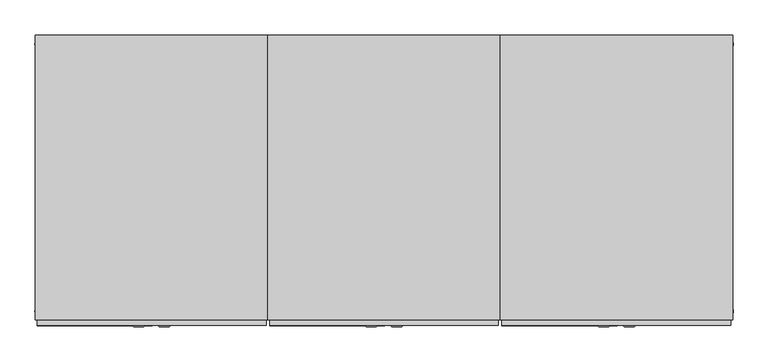
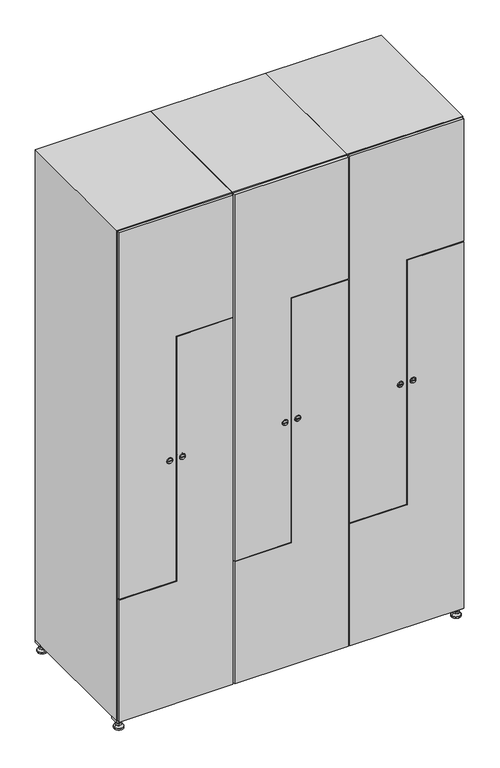
"""IFC4 building model written with IfcOpenShell, lengths in millimetres: furniture geometry."""

from ifc_helpers import new_model, si_unit, point, frame, frame_2d, origin, origin_with_axes, place, context, project, spatial, polyline, circle_curve, trimmed, segment, composite_curve, outline, extrude, faceted_brep, source, transform, mapped, element, save
from ifc_brep_helpers import plane_surface, revolved_surface, advanced_brep


def furniture_ad6220d3(model_context):
    return source(origin(), model_context, "Body", "SolidModel", [
        extrude(outline(polyline([(1000.0, 245.0), (1000.0, 215.0), (970.0, 215.0), (970.0, 245.0), (1000.0, 245.0)]), holes=[polyline([(998.0, 243.0), (972.0, 243.0), (972.0, 217.0), (998.0, 217.0), (998.0, 243.0)])]), frame((0.0, 0.0, 28.5), z_axis=(0.0, 0.0, 1.0), x_axis=(1.0, 0.0, 0.0)), (0.0, 0.0, 1.0), 6.5),
        extrude(outline(polyline([(970.0, -245.0), (970.0, -215.0), (1000.0, -215.0), (1000.0, -245.0), (970.0, -245.0)]), holes=[polyline([(972.0, -243.0), (998.0, -243.0), (998.0, -217.0), (972.0, -217.0), (972.0, -243.0)])]), frame((0.0, 0.0, 28.5), z_axis=(0.0, 0.0, 1.0), x_axis=(1.0, 0.0, 0.0)), (0.0, 0.0, 1.0), 6.5),
        extrude(outline(polyline([(-170.0, 245.0), (-170.0, 215.0), (-200.0, 215.0), (-200.0, 245.0), (-170.0, 245.0)]), holes=[polyline([(-172.0, 243.0), (-198.0, 243.0), (-198.0, 217.0), (-172.0, 217.0), (-172.0, 243.0)])]), frame((0.0, 0.0, 28.5), z_axis=(0.0, 0.0, 1.0), x_axis=(1.0, 0.0, 0.0)), (0.0, 0.0, 1.0), 6.5),
        extrude(outline(polyline([(-170.0, -215.0), (-170.0, -245.0), (-200.0, -245.0), (-200.0, -215.0), (-170.0, -215.0)]), holes=[polyline([(-198.0, -243.0), (-172.0, -243.0), (-172.0, -217.0), (-198.0, -217.0), (-198.0, -243.0)])]), frame((0.0, 0.0, 28.5), z_axis=(0.0, 0.0, 1.0), x_axis=(1.0, 0.0, 0.0)), (0.0, 0.0, 1.0), 6.5),
        extrude(outline(composite_curve([segment(trimmed(circle_curve(frame_2d((-185.0, 230.0)), 5.0), [point((-180.0, 230.0))], [point((-190.0, 230.0))], False, "CARTESIAN"), True, "CONTINUOUS"), segment(trimmed(circle_curve(frame_2d((-185.0, 230.0)), 5.0), [point((-190.0, 230.0))], [point((-180.0, 230.0))], False, "CARTESIAN"), True, "CONTINUOUS")], self_intersect=False)), frame((0.0, 0.0, 19.6), z_axis=(0.0, 0.0, 1.0), x_axis=(1.0, 0.0, 0.0)), (0.0, 0.0, 1.0), 15.4),
        extrude(outline(composite_curve([segment(trimmed(circle_curve(frame_2d((-185.0, -230.0)), 5.0), [point((-180.0, -230.0))], [point((-190.0, -230.0))], False, "CARTESIAN"), True, "CONTINUOUS"), segment(trimmed(circle_curve(frame_2d((-185.0, -230.0)), 5.0), [point((-190.0, -230.0))], [point((-180.0, -230.0))], False, "CARTESIAN"), True, "CONTINUOUS")], self_intersect=False)), frame((0.0, 0.0, 19.6), z_axis=(0.0, 0.0, 1.0), x_axis=(1.0, 0.0, 0.0)), (0.0, 0.0, 1.0), 15.4),
        extrude(outline(composite_curve([segment(trimmed(circle_curve(frame_2d((985.0, 230.0)), 5.0), [point((990.0, 230.0))], [point((980.0, 230.0))], False, "CARTESIAN"), True, "CONTINUOUS"), segment(trimmed(circle_curve(frame_2d((985.0, 230.0)), 5.0), [point((980.0, 230.0))], [point((990.0, 230.0))], False, "CARTESIAN"), True, "CONTINUOUS")], self_intersect=False)), frame((0.0, 0.0, 19.6), z_axis=(0.0, 0.0, 1.0), x_axis=(1.0, 0.0, 0.0)), (0.0, 0.0, 1.0), 15.4),
        extrude(outline(polyline([(973.4529946, 230.0), (979.2264973, 240.0), (990.7735027, 240.0), (996.5470054, 230.0), (990.7735027, 220.0), (979.2264973, 220.0), (973.4529946, 230.0)])), frame((0.0, 0.0, 13.6), z_axis=(0.0, 0.0, 1.0), x_axis=(1.0, 0.0, 0.0)), (0.0, 0.0, 1.0), 6.0),
        extrude(outline(composite_curve([segment(trimmed(circle_curve(frame_2d((985.0, -230.0)), 5.0), [point((990.0, -230.0))], [point((980.0, -230.0))], False, "CARTESIAN"), True, "CONTINUOUS"), segment(trimmed(circle_curve(frame_2d((985.0, -230.0)), 5.0), [point((980.0, -230.0))], [point((990.0, -230.0))], False, "CARTESIAN"), True, "CONTINUOUS")], self_intersect=False)), frame((0.0, 0.0, 19.6), z_axis=(0.0, 0.0, 1.0), x_axis=(1.0, 0.0, 0.0)), (0.0, 0.0, 1.0), 15.4),
        extrude(outline(polyline([(973.4529946, -230.0), (979.2264973, -220.0), (990.7735027, -220.0), (996.5470054, -230.0), (990.7735027, -240.0), (979.2264973, -240.0), (973.4529946, -230.0)])), frame((0.0, 0.0, 13.6), z_axis=(0.0, 0.0, 1.0), x_axis=(1.0, 0.0, 0.0)), (0.0, 0.0, 1.0), 6.0),
        extrude(outline(composite_curve([segment(trimmed(circle_curve(frame_2d((985.0, 230.0)), 5.0), [point((990.0, 230.0))], [point((980.0, 230.0))], False, "CARTESIAN"), True, "CONTINUOUS"), segment(trimmed(circle_curve(frame_2d((985.0, 230.0)), 5.0), [point((980.0, 230.0))], [point((990.0, 230.0))], False, "CARTESIAN"), True, "CONTINUOUS")], self_intersect=False)), frame((0.0, 0.0, 12.1), z_axis=(0.0, 0.0, 1.0), x_axis=(1.0, 0.0, 0.0)), (0.0, 0.0, 1.0), 1.5),
        extrude(outline(composite_curve([segment(trimmed(circle_curve(frame_2d((985.0, -230.0)), 5.0), [point((990.0, -230.0))], [point((980.0, -230.0))], False, "CARTESIAN"), True, "CONTINUOUS"), segment(trimmed(circle_curve(frame_2d((985.0, -230.0)), 5.0), [point((980.0, -230.0))], [point((990.0, -230.0))], False, "CARTESIAN"), True, "CONTINUOUS")], self_intersect=False)), frame((0.0, 0.0, 12.1), z_axis=(0.0, 0.0, 1.0), x_axis=(1.0, 0.0, 0.0)), (0.0, 0.0, 1.0), 1.5),
        extrude(outline(polyline([(-196.5470054, 230.0), (-190.7735027, 240.0), (-179.2264973, 240.0), (-173.4529946, 230.0), (-179.2264973, 220.0), (-190.7735027, 220.0), (-196.5470054, 230.0)])), frame((0.0, 0.0, 13.6), z_axis=(0.0, 0.0, 1.0), x_axis=(1.0, 0.0, 0.0)), (0.0, 0.0, 1.0), 6.0),
        extrude(outline(polyline([(-196.5470054, -230.0), (-190.7735027, -220.0), (-179.2264973, -220.0), (-173.4529946, -230.0), (-179.2264973, -240.0), (-190.7735027, -240.0), (-196.5470054, -230.0)])), frame((0.0, 0.0, 13.6), z_axis=(0.0, 0.0, 1.0), x_axis=(1.0, 0.0, 0.0)), (0.0, 0.0, 1.0), 6.0),
        extrude(outline(composite_curve([segment(trimmed(circle_curve(frame_2d((-185.0, 230.0)), 5.0), [point((-185.0, 235.0))], [point((-185.0, 225.0))], False, "CARTESIAN"), True, "CONTINUOUS"), segment(trimmed(circle_curve(frame_2d((-185.0, 230.0)), 5.0), [point((-185.0, 225.0))], [point((-185.0, 235.0))], False, "CARTESIAN"), True, "CONTINUOUS")], self_intersect=False)), frame((0.0, 0.0, 12.1), z_axis=(0.0, 0.0, 1.0), x_axis=(1.0, 0.0, 0.0)), (0.0, 0.0, 1.0), 1.5),
        extrude(outline(composite_curve([segment(trimmed(circle_curve(frame_2d((-185.0, -230.0)), 5.0), [point((-180.0, -230.0))], [point((-190.0, -230.0))], False, "CARTESIAN"), True, "CONTINUOUS"), segment(trimmed(circle_curve(frame_2d((-185.0, -230.0)), 5.0), [point((-190.0, -230.0))], [point((-180.0, -230.0))], False, "CARTESIAN"), True, "CONTINUOUS")], self_intersect=False)), frame((0.0, 0.0, 12.1), z_axis=(0.0, 0.0, 1.0), x_axis=(1.0, 0.0, 0.0)), (0.0, 0.0, 1.0), 1.5),
        extrude(outline(composite_curve([segment(trimmed(circle_curve(frame_2d((985.0, 230.0)), 15.75), [point((1000.75, 230.0))], [point((969.25, 230.0))], False, "CARTESIAN"), True, "CONTINUOUS"), segment(trimmed(circle_curve(frame_2d((985.0, 230.0)), 15.75), [point((969.25, 230.0))], [point((1000.75, 230.0))], False, "CARTESIAN"), True, "CONTINUOUS")], self_intersect=False)), origin_with_axes(), (0.0, 0.0, 1.0), 5.1),
        extrude(outline(composite_curve([segment(trimmed(circle_curve(frame_2d((985.0, -230.0)), 15.75), [point((985.0, -214.25))], [point((985.0, -245.75))], False, "CARTESIAN"), True, "CONTINUOUS"), segment(trimmed(circle_curve(frame_2d((985.0, -230.0)), 15.75), [point((985.0, -245.75))], [point((985.0, -214.25))], False, "CARTESIAN"), True, "CONTINUOUS")], self_intersect=False)), origin_with_axes(), (0.0, 0.0, 1.0), 5.1),
        extrude(outline(composite_curve([segment(trimmed(circle_curve(frame_2d((-185.0, -230.0)), 15.75), [point((-169.25, -230.0))], [point((-200.75, -230.0))], False, "CARTESIAN"), True, "CONTINUOUS"), segment(trimmed(circle_curve(frame_2d((-185.0, -230.0)), 15.75), [point((-200.75, -230.0))], [point((-169.25, -230.0))], False, "CARTESIAN"), True, "CONTINUOUS")], self_intersect=False)), origin_with_axes(), (0.0, 0.0, 1.0), 5.1),
        extrude(outline(composite_curve([segment(trimmed(circle_curve(frame_2d((-185.0, 230.0)), 15.75), [point((-169.25, 230.0))], [point((-200.75, 230.0))], False, "CARTESIAN"), True, "CONTINUOUS"), segment(trimmed(circle_curve(frame_2d((-185.0, 230.0)), 15.75), [point((-200.75, 230.0))], [point((-169.25, 230.0))], False, "CARTESIAN"), True, "CONTINUOUS")], self_intersect=False)), origin_with_axes(), (0.0, 0.0, 1.0), 5.1),
        advanced_brep(
        [(-185.0, 239.5, 12.1), (-185.0, 220.5, 12.1), (-185.0, 214.25, 5.1), (-185.0, 245.75, 5.1)],
        [
            (0, 1, circle_curve(frame((-185.0, 230.0, 12.1), z_axis=(0.0, 0.0, -1.0), x_axis=(0.0, 1.0, 0.0)), 9.5)),
            (1, 2),
            (2, 3, circle_curve(frame((-185.0, 230.0, 5.1), z_axis=(0.0, 0.0, 1.0), x_axis=(0.0, 1.0, 0.0)), 15.75)),
            (3, 0),
            (1, 0, circle_curve(frame((-185.0, 230.0, 12.1), z_axis=(0.0, 0.0, -1.0), x_axis=(0.0, -1.0, 0.0)), 9.5)),
            (3, 2, circle_curve(frame((-185.0, 230.0, 5.1), z_axis=(0.0, 0.0, 1.0), x_axis=(0.0, -1.0, 0.0)), 15.75)),
        ],
        [
            revolved_surface(polyline([(-185.0, 220.5, 12.099999999999998), (-185.0, 214.25, 5.099999999999998)]), (-185.0, 230.0, 22.74), (0.0, 0.0, -1.0)),
            revolved_surface(polyline([(-185.0, 239.5, 12.099999999999998), (-185.0, 245.75, 5.099999999999998)]), (-185.0, 230.0, 22.74), (0.0, 0.0, -1.0)),
            plane_surface(frame((-185.0, 230.0, 5.1), z_axis=(0.0, 0.0, -1.0), x_axis=(1.0, 0.0, 0.0))),
            plane_surface(frame((-185.0, 230.0, 12.1), z_axis=(0.0, 0.0, 1.0), x_axis=(1.0, 0.0, 0.0))),
        ],
        [
            (0, [[1, 2, 3, 4]]),
            (1, [[5, -4, 6, -2]]),
            (2, [[-3, -6]]),
            (3, [[-5, -1]]),
        ],
    ),
        advanced_brep(
        [(985.0, 239.5, 12.1), (985.0, 220.5, 12.1), (985.0, 214.25, 5.1), (985.0, 245.75, 5.1)],
        [
            (0, 1, circle_curve(frame((985.0, 230.0, 12.1), z_axis=(0.0, 0.0, -1.0), x_axis=(0.0, 1.0, 0.0)), 9.5)),
            (1, 2),
            (2, 3, circle_curve(frame((985.0, 230.0, 5.1), z_axis=(0.0, 0.0, 1.0), x_axis=(0.0, 1.0, 0.0)), 15.75)),
            (3, 0),
            (1, 0, circle_curve(frame((985.0, 230.0, 12.1), z_axis=(0.0, 0.0, -1.0), x_axis=(0.0, -1.0, 0.0)), 9.5)),
            (3, 2, circle_curve(frame((985.0, 230.0, 5.1), z_axis=(0.0, 0.0, 1.0), x_axis=(0.0, -1.0, 0.0)), 15.75)),
        ],
        [
            revolved_surface(polyline([(985.0, 220.5, 12.099999999999998), (985.0, 214.25, 5.099999999999998)]), (985.0, 230.0, 22.74), (0.0, 0.0, -1.0)),
            revolved_surface(polyline([(985.0, 239.5, 12.099999999999998), (985.0, 245.75, 5.099999999999998)]), (985.0, 230.0, 22.74), (0.0, 0.0, -1.0)),
            plane_surface(frame((985.0, 230.0, 5.1), z_axis=(0.0, 0.0, -1.0), x_axis=(1.0, 0.0, 0.0))),
            plane_surface(frame((985.0, 230.0, 12.1), z_axis=(0.0, 0.0, 1.0), x_axis=(1.0, 0.0, 0.0))),
        ],
        [
            (0, [[1, 2, 3, 4]]),
            (1, [[5, -4, 6, -2]]),
            (2, [[-3, -6]]),
            (3, [[-5, -1]]),
        ],
    ),
        advanced_brep(
        [(1000.75, -230.0, 5.1), (969.25, -230.0, 5.1), (975.5, -230.0, 12.1), (994.5, -230.0, 12.1)],
        [
            (0, 1, circle_curve(frame((985.0, -230.0, 5.1), z_axis=(0.0, 0.0, 1.0), x_axis=(1.0, 0.0, 0.0)), 15.75)),
            (1, 2),
            (2, 3, circle_curve(frame((985.0, -230.0, 12.1), z_axis=(0.0, 0.0, -1.0), x_axis=(1.0, 0.0, 0.0)), 9.5)),
            (3, 0),
            (1, 0, circle_curve(frame((985.0, -230.0, 5.1), z_axis=(0.0, 0.0, 1.0), x_axis=(-1.0, 0.0, 0.0)), 15.75)),
            (3, 2, circle_curve(frame((985.0, -230.0, 12.1), z_axis=(0.0, 0.0, -1.0), x_axis=(-1.0, 0.0, 0.0)), 9.5)),
        ],
        [
            revolved_surface(polyline([(994.5, -230.0, 12.099999999999998), (1000.75, -230.0, 5.099999999999998)]), (985.0, -230.0, 22.74), (0.0, 0.0, -1.0)),
            revolved_surface(polyline([(975.5, -230.0, 12.099999999999998), (969.25, -230.0, 5.099999999999998)]), (985.0, -230.0, 22.74), (0.0, 0.0, -1.0)),
            plane_surface(frame((985.0, -230.0, 12.1), z_axis=(0.0, 0.0, 1.0), x_axis=(0.0, 1.0, 0.0))),
            plane_surface(frame((985.0, -230.0, 5.1), z_axis=(0.0, 0.0, -1.0), x_axis=(0.0, 1.0, 0.0))),
        ],
        [
            (0, [[1, 2, 3, 4]]),
            (1, [[5, -4, 6, -2]]),
            (2, [[-3, -6]]),
            (3, [[-5, -1]]),
        ],
    ),
        advanced_brep(
        [(-169.25, -230.0, 5.1), (-200.75, -230.0, 5.1), (-194.5, -230.0, 12.1), (-175.5, -230.0, 12.1)],
        [
            (0, 1, circle_curve(frame((-185.0, -230.0, 5.1), z_axis=(0.0, 0.0, 1.0), x_axis=(1.0, 0.0, 0.0)), 15.75)),
            (1, 2),
            (2, 3, circle_curve(frame((-185.0, -230.0, 12.1), z_axis=(0.0, 0.0, -1.0), x_axis=(1.0, 0.0, 0.0)), 9.5)),
            (3, 0),
            (1, 0, circle_curve(frame((-185.0, -230.0, 5.1), z_axis=(0.0, 0.0, 1.0), x_axis=(-1.0, 0.0, 0.0)), 15.75)),
            (3, 2, circle_curve(frame((-185.0, -230.0, 12.1), z_axis=(0.0, 0.0, -1.0), x_axis=(-1.0, 0.0, 0.0)), 9.5)),
        ],
        [
            revolved_surface(polyline([(-175.5, -230.0, 12.099999999999998), (-169.25, -230.0, 5.099999999999998)]), (-185.0, -230.0, 22.74), (0.0, 0.0, -1.0)),
            revolved_surface(polyline([(-194.5, -230.0, 12.099999999999998), (-200.75, -230.0, 5.099999999999998)]), (-185.0, -230.0, 22.74), (0.0, 0.0, -1.0)),
            plane_surface(frame((-185.0, -230.0, 12.1), z_axis=(0.0, 0.0, 1.0), x_axis=(0.0, 1.0, 0.0))),
            plane_surface(frame((-185.0, -230.0, 5.1), z_axis=(0.0, 0.0, -1.0), x_axis=(0.0, 1.0, 0.0))),
        ],
        [
            (0, [[1, 2, 3, 4]]),
            (1, [[5, -4, 6, -2]]),
            (2, [[-3, -6]]),
            (3, [[-5, -1]]),
        ],
    ),
        extrude(outline(composite_curve([segment(trimmed(circle_curve(frame_2d((935.0, 804.7989466)), 7.0), [point((928.0, 804.7989466))], [point((942.0, 804.7989466))], False, "CARTESIAN"), True, "CONTINUOUS"), segment(polyline([(942.0, 804.7989466), (942.0, 776.7989466)]), True, "CONTINUOUS"), segment(trimmed(circle_curve(frame_2d((935.0, 776.7989466)), 7.0), [point((942.0, 776.7989466))], [point((928.0, 776.7989466))], False, "CARTESIAN"), True, "CONTINUOUS"), segment(polyline([(928.0, 776.7989466), (928.0, 804.7989466)]), True, "CONTINUOUS")], self_intersect=False)), frame((0.0, -245.0, 0.0), z_axis=(0.0, 1.0, 0.0), x_axis=(0.0, 0.0, 1.0)), (0.0, 0.0, 1.0), 2.0),
        advanced_brep(
        [(769.5, -257.2, 935.0), (786.5, -257.2, 935.0), (783.0, -257.2, 936.25), (783.0, -257.2, 933.75), (773.0, -257.2, 933.75), (773.0, -257.2, 936.25), (767.5, -255.0, 935.0), (788.5, -255.0, 935.0), (783.0, -255.0, 933.75), (783.0, -255.0, 936.25), (773.0, -255.0, 936.25), (773.0, -255.0, 933.75)],
        [
            (0, 1, circle_curve(frame((778.0, -257.2, 935.0), z_axis=(0.0, -1.0, 0.0), x_axis=(-1.0, 0.0, 0.0)), 8.5)),
            (1, 0, circle_curve(frame((778.0, -257.2, 935.0), z_axis=(0.0, -1.0, 0.0), x_axis=(1.0, 0.0, 0.0)), 8.5)),
            (2, 3),
            (3, 4),
            (4, 5),
            (5, 2),
            (6, 7, circle_curve(frame((778.0, -255.0, 935.0), z_axis=(0.0, 1.0, 0.0), x_axis=(1.0, 0.0, 0.0)), 10.5)),
            (7, 6, circle_curve(frame((778.0, -255.0, 935.0), z_axis=(0.0, 1.0, 0.0), x_axis=(-1.0, 0.0, 0.0)), 10.5)),
            (8, 9),
            (9, 10),
            (10, 11),
            (11, 8),
            (0, 6),
            (7, 1),
            (8, 3),
            (2, 9),
            (11, 4),
            (10, 5),
        ],
        [
            plane_surface(frame((778.0, -257.2, 935.0), z_axis=(0.0, -1.0, 0.0), x_axis=(0.0, 0.0, -1.0))),
            plane_surface(frame((778.0, -255.0, 935.0), z_axis=(0.0, 1.0, 0.0), x_axis=(0.0, 0.0, -1.0))),
            revolved_surface(polyline([(769.5, -257.2, 935.0), (767.5, -255.0, 935.0)]), (778.0, -266.55, 935.0), (0.0, 1.0, 0.0)),
            revolved_surface(polyline([(786.5, -257.2, 935.0), (788.5, -255.0, 935.0)]), (778.0, -266.55, 935.0), (0.0, 1.0, 0.0)),
            plane_surface(frame((783.0, -255.0, 936.25), z_axis=(-1.0, 0.0, 0.0), x_axis=(0.0, -1.0, 0.0))),
            plane_surface(frame((783.0, -255.0, 933.75), z_axis=(0.0, 0.0, 1.0), x_axis=(0.0, -1.0, 0.0))),
            plane_surface(frame((773.0, -255.0, 933.75), z_axis=(1.0, 0.0, 0.0), x_axis=(0.0, -1.0, 0.0))),
            plane_surface(frame((773.0, -255.0, 936.25), z_axis=(0.0, 0.0, -1.0), x_axis=(0.0, -1.0, 0.0))),
        ],
        [
            (0, [[1, 2], [3, 4, 5, 6]]),
            (1, [[7, 8], [9, 10, 11, 12]]),
            (2, [[-1, 13, -8, 14]]),
            (3, [[-2, -14, -7, -13]]),
            (4, [[15, -3, 16, -9]]),
            (5, [[-15, -12, 17, -4]]),
            (6, [[-17, -11, 18, -5]]),
            (7, [[-16, -6, -18, -10]]),
        ],
    ),
        extrude(outline(polyline([(1832.0, 603.0), (488.0, 603.0), (488.0, 798.5), (1385.0, 798.5), (1385.0, 997.0), (1832.0, 997.0), (1832.0, 603.0)])), frame((0.0, -255.0, 0.0), z_axis=(0.0, 1.0, 0.0), x_axis=(0.0, 0.0, 1.0)), (0.0, 0.0, 1.0), 10.0),
        extrude(outline(composite_curve([segment(trimmed(circle_curve(frame_2d((935.0, 795.2010534)), 7.0), [point((942.0, 795.2010534))], [point((928.0, 795.2010534))], False, "CARTESIAN"), True, "CONTINUOUS"), segment(polyline([(928.0, 795.2010534), (928.0, 823.2010534)]), True, "CONTINUOUS"), segment(trimmed(circle_curve(frame_2d((935.0, 823.2010534)), 7.0), [point((928.0, 823.2010534))], [point((942.0, 823.2010534))], False, "CARTESIAN"), True, "CONTINUOUS"), segment(polyline([(942.0, 823.2010534), (942.0, 795.2010534)]), True, "CONTINUOUS")], self_intersect=False)), frame((0.0, -245.0, 0.0), z_axis=(0.0, 1.0, 0.0), x_axis=(0.0, 0.0, 1.0)), (0.0, 0.0, 1.0), 2.0),
        advanced_brep(
        [(830.5, -257.2, 935.0), (813.5, -257.2, 935.0), (817.0, -257.2, 933.75), (817.0, -257.2, 936.25), (827.0, -257.2, 936.25), (827.0, -257.2, 933.75), (832.5, -255.0, 935.0), (811.5, -255.0, 935.0), (817.0, -255.0, 936.25), (817.0, -255.0, 933.75), (827.0, -255.0, 933.75), (827.0, -255.0, 936.25)],
        [
            (0, 1, circle_curve(frame((822.0, -257.2, 935.0), z_axis=(0.0, -1.0, 0.0), x_axis=(1.0, 0.0, 0.0)), 8.5)),
            (1, 0, circle_curve(frame((822.0, -257.2, 935.0), z_axis=(0.0, -1.0, 0.0), x_axis=(-1.0, 0.0, 0.0)), 8.5)),
            (2, 3),
            (3, 4),
            (4, 5),
            (5, 2),
            (6, 7, circle_curve(frame((822.0, -255.0, 935.0), z_axis=(0.0, 1.0, 0.0), x_axis=(-1.0, 0.0, 0.0)), 10.5)),
            (7, 6, circle_curve(frame((822.0, -255.0, 935.0), z_axis=(0.0, 1.0, 0.0), x_axis=(1.0, 0.0, 0.0)), 10.5)),
            (8, 9),
            (9, 10),
            (10, 11),
            (11, 8),
            (0, 6),
            (7, 1),
            (8, 3),
            (2, 9),
            (11, 4),
            (10, 5),
        ],
        [
            plane_surface(frame((822.0, -257.2, 935.0), z_axis=(0.0, -1.0, 0.0), x_axis=(0.0, 0.0, 1.0))),
            plane_surface(frame((822.0, -255.0, 935.0), z_axis=(0.0, 1.0, 0.0), x_axis=(0.0, 0.0, 1.0))),
            revolved_surface(polyline([(830.5, -257.2, 935.0), (832.5, -255.0, 935.0)]), (822.0, -266.55, 935.0), (0.0, 1.0, 0.0)),
            revolved_surface(polyline([(813.5, -257.2, 935.0), (811.5, -255.0, 935.0)]), (822.0, -266.55, 935.0), (0.0, 1.0, 0.0)),
            plane_surface(frame((817.0, -255.0, 933.75), z_axis=(1.0, 0.0, 0.0), x_axis=(0.0, -1.0, 0.0))),
            plane_surface(frame((817.0, -255.0, 936.25), z_axis=(0.0, 0.0, -1.0), x_axis=(0.0, -1.0, 0.0))),
            plane_surface(frame((827.0, -255.0, 936.25), z_axis=(-1.0, 0.0, 0.0), x_axis=(0.0, -1.0, 0.0))),
            plane_surface(frame((827.0, -255.0, 933.75), z_axis=(0.0, 0.0, 1.0), x_axis=(0.0, -1.0, 0.0))),
        ],
        [
            (0, [[1, 2], [3, 4, 5, 6]]),
            (1, [[7, 8], [9, 10, 11, 12]]),
            (2, [[-1, 13, -8, 14]]),
            (3, [[-2, -14, -7, -13]]),
            (4, [[15, -3, 16, -9]]),
            (5, [[-15, -12, 17, -4]]),
            (6, [[-17, -11, 18, -5]]),
            (7, [[-16, -6, -18, -10]]),
        ],
    ),
        extrude(outline(polyline([(38.0, 997.0), (1382.0, 997.0), (1382.0, 801.5), (485.0, 801.5), (485.0, 603.0), (38.0, 603.0), (38.0, 997.0)])), frame((0.0, -255.0, 0.0), z_axis=(0.0, 1.0, 0.0), x_axis=(0.0, 0.0, 1.0)), (0.0, 0.0, 1.0), 10.0),
        extrude(outline(polyline([(1373.3, 979.6), (1393.7, 979.6), (1393.7, 789.8), (496.7, 789.8), (496.7, 620.4), (476.3, 620.4), (476.3, 810.2), (1373.3, 810.2), (1373.3, 979.6)])), frame((0.0, -245.0, 0.0), z_axis=(0.0, 1.0, 0.0), x_axis=(0.0, 0.0, 1.0)), (0.0, 0.0, 1.0), 487.0),
        faceted_brep([(1000.0, -245.0, 35.0), (1000.0, -245.0, 1835.0), (600.0, -245.0, 1835.0), (600.0, -245.0, 35.0), (979.6, -245.0, 1804.8), (979.6, -245.0, 65.2), (620.4, -245.0, 65.2), (620.4, -245.0, 1804.8), (1000.0, 245.0, 35.0), (600.0, 245.0, 35.0), (1000.0, 245.0, 1835.0), (600.0, 245.0, 1835.0), (979.6, 242.0, 1804.8), (979.6, 242.0, 65.2), (600.0, 245.0, 1804.8), (620.4, 242.0, 1804.8), (620.4, 242.0, 65.2)], [[[0, 1, 2, 3], [4, 5, 6, 7]], [[8, 0, 3, 9]], [[1, 0, 8, 10]], [[1, 10, 11, 2]], [[4, 12, 13, 5]], [[9, 3, 2, 11, 14]], [[10, 8, 9, 14, 11]], [[12, 15, 16, 13]], [[15, 7, 6, 16]], [[4, 7, 15, 12]], [[6, 5, 13, 16]]]),
        extrude(outline(composite_curve([segment(trimmed(circle_curve(frame_2d((935.0, 404.7989466)), 7.0), [point((928.0, 404.7989466))], [point((942.0, 404.7989466))], False, "CARTESIAN"), True, "CONTINUOUS"), segment(polyline([(942.0, 404.7989466), (942.0, 376.7989466)]), True, "CONTINUOUS"), segment(trimmed(circle_curve(frame_2d((935.0, 376.7989466)), 7.0), [point((942.0, 376.7989466))], [point((928.0, 376.7989466))], False, "CARTESIAN"), True, "CONTINUOUS"), segment(polyline([(928.0, 376.7989466), (928.0, 404.7989466)]), True, "CONTINUOUS")], self_intersect=False)), frame((0.0, -245.0, 0.0), z_axis=(0.0, 1.0, 0.0), x_axis=(0.0, 0.0, 1.0)), (0.0, 0.0, 1.0), 2.0),
        advanced_brep(
        [(369.5, -257.2, 935.0), (386.5, -257.2, 935.0), (383.0, -257.2, 936.25), (383.0, -257.2, 933.75), (373.0, -257.2, 933.75), (373.0, -257.2, 936.25), (367.5, -255.0, 935.0), (388.5, -255.0, 935.0), (383.0, -255.0, 933.75), (383.0, -255.0, 936.25), (373.0, -255.0, 936.25), (373.0, -255.0, 933.75)],
        [
            (0, 1, circle_curve(frame((378.0, -257.2, 935.0), z_axis=(0.0, -1.0, 0.0), x_axis=(-1.0, 0.0, 0.0)), 8.5)),
            (1, 0, circle_curve(frame((378.0, -257.2, 935.0), z_axis=(0.0, -1.0, 0.0), x_axis=(1.0, 0.0, 0.0)), 8.5)),
            (2, 3),
            (3, 4),
            (4, 5),
            (5, 2),
            (6, 7, circle_curve(frame((378.0, -255.0, 935.0), z_axis=(0.0, 1.0, 0.0), x_axis=(1.0, 0.0, 0.0)), 10.5)),
            (7, 6, circle_curve(frame((378.0, -255.0, 935.0), z_axis=(0.0, 1.0, 0.0), x_axis=(-1.0, 0.0, 0.0)), 10.5)),
            (8, 9),
            (9, 10),
            (10, 11),
            (11, 8),
            (0, 6),
            (7, 1),
            (8, 3),
            (2, 9),
            (11, 4),
            (10, 5),
        ],
        [
            plane_surface(frame((378.0, -257.2, 935.0), z_axis=(0.0, -1.0, 0.0), x_axis=(0.0, 0.0, -1.0))),
            plane_surface(frame((378.0, -255.0, 935.0), z_axis=(0.0, 1.0, 0.0), x_axis=(0.0, 0.0, -1.0))),
            revolved_surface(polyline([(369.5, -257.2, 935.0), (367.5, -255.0, 935.0)]), (378.0, -266.55, 935.0), (0.0, 1.0, 0.0)),
            revolved_surface(polyline([(386.5, -257.2, 935.0), (388.5, -255.0, 935.0)]), (378.0, -266.55, 935.0), (0.0, 1.0, 0.0)),
            plane_surface(frame((383.0, -255.0, 936.25), z_axis=(-1.0, 0.0, 0.0), x_axis=(0.0, -1.0, 0.0))),
            plane_surface(frame((383.0, -255.0, 933.75), z_axis=(0.0, 0.0, 1.0), x_axis=(0.0, -1.0, 0.0))),
            plane_surface(frame((373.0, -255.0, 933.75), z_axis=(1.0, 0.0, 0.0), x_axis=(0.0, -1.0, 0.0))),
            plane_surface(frame((373.0, -255.0, 936.25), z_axis=(0.0, 0.0, -1.0), x_axis=(0.0, -1.0, 0.0))),
        ],
        [
            (0, [[1, 2], [3, 4, 5, 6]]),
            (1, [[7, 8], [9, 10, 11, 12]]),
            (2, [[-1, 13, -8, 14]]),
            (3, [[-2, -14, -7, -13]]),
            (4, [[15, -3, 16, -9]]),
            (5, [[-15, -12, 17, -4]]),
            (6, [[-17, -11, 18, -5]]),
            (7, [[-16, -6, -18, -10]]),
        ],
    ),
        extrude(outline(polyline([(1832.0, 203.0), (488.0, 203.0), (488.0, 398.5), (1385.0, 398.5), (1385.0, 597.0), (1832.0, 597.0), (1832.0, 203.0)])), frame((0.0, -255.0, 0.0), z_axis=(0.0, 1.0, 0.0), x_axis=(0.0, 0.0, 1.0)), (0.0, 0.0, 1.0), 10.0),
        extrude(outline(composite_curve([segment(trimmed(circle_curve(frame_2d((935.0, 395.2010534)), 7.0), [point((942.0, 395.2010534))], [point((928.0, 395.2010534))], False, "CARTESIAN"), True, "CONTINUOUS"), segment(polyline([(928.0, 395.2010534), (928.0, 423.2010534)]), True, "CONTINUOUS"), segment(trimmed(circle_curve(frame_2d((935.0, 423.2010534)), 7.0), [point((928.0, 423.2010534))], [point((942.0, 423.2010534))], False, "CARTESIAN"), True, "CONTINUOUS"), segment(polyline([(942.0, 423.2010534), (942.0, 395.2010534)]), True, "CONTINUOUS")], self_intersect=False)), frame((0.0, -245.0, 0.0), z_axis=(0.0, 1.0, 0.0), x_axis=(0.0, 0.0, 1.0)), (0.0, 0.0, 1.0), 2.0),
        advanced_brep(
        [(430.5, -257.2, 935.0), (413.5, -257.2, 935.0), (417.0, -257.2, 933.75), (417.0, -257.2, 936.25), (427.0, -257.2, 936.25), (427.0, -257.2, 933.75), (432.5, -255.0, 935.0), (411.5, -255.0, 935.0), (417.0, -255.0, 936.25), (417.0, -255.0, 933.75), (427.0, -255.0, 933.75), (427.0, -255.0, 936.25)],
        [
            (0, 1, circle_curve(frame((422.0, -257.2, 935.0), z_axis=(0.0, -1.0, 0.0), x_axis=(1.0, 0.0, 0.0)), 8.5)),
            (1, 0, circle_curve(frame((422.0, -257.2, 935.0), z_axis=(0.0, -1.0, 0.0), x_axis=(-1.0, 0.0, 0.0)), 8.5)),
            (2, 3),
            (3, 4),
            (4, 5),
            (5, 2),
            (6, 7, circle_curve(frame((422.0, -255.0, 935.0), z_axis=(0.0, 1.0, 0.0), x_axis=(-1.0, 0.0, 0.0)), 10.5)),
            (7, 6, circle_curve(frame((422.0, -255.0, 935.0), z_axis=(0.0, 1.0, 0.0), x_axis=(1.0, 0.0, 0.0)), 10.5)),
            (8, 9),
            (9, 10),
            (10, 11),
            (11, 8),
            (0, 6),
            (7, 1),
            (8, 3),
            (2, 9),
            (11, 4),
            (10, 5),
        ],
        [
            plane_surface(frame((422.0, -257.2, 935.0), z_axis=(0.0, -1.0, 0.0), x_axis=(0.0, 0.0, 1.0))),
            plane_surface(frame((422.0, -255.0, 935.0), z_axis=(0.0, 1.0, 0.0), x_axis=(0.0, 0.0, 1.0))),
            revolved_surface(polyline([(430.5, -257.2, 935.0), (432.5, -255.0, 935.0)]), (422.0, -266.55, 935.0), (0.0, 1.0, 0.0)),
            revolved_surface(polyline([(413.5, -257.2, 935.0), (411.5, -255.0, 935.0)]), (422.0, -266.55, 935.0), (0.0, 1.0, 0.0)),
            plane_surface(frame((417.0, -255.0, 933.75), z_axis=(1.0, 0.0, 0.0), x_axis=(0.0, -1.0, 0.0))),
            plane_surface(frame((417.0, -255.0, 936.25), z_axis=(0.0, 0.0, -1.0), x_axis=(0.0, -1.0, 0.0))),
            plane_surface(frame((427.0, -255.0, 936.25), z_axis=(-1.0, 0.0, 0.0), x_axis=(0.0, -1.0, 0.0))),
            plane_surface(frame((427.0, -255.0, 933.75), z_axis=(0.0, 0.0, 1.0), x_axis=(0.0, -1.0, 0.0))),
        ],
        [
            (0, [[1, 2], [3, 4, 5, 6]]),
            (1, [[7, 8], [9, 10, 11, 12]]),
            (2, [[-1, 13, -8, 14]]),
            (3, [[-2, -14, -7, -13]]),
            (4, [[15, -3, 16, -9]]),
            (5, [[-15, -12, 17, -4]]),
            (6, [[-17, -11, 18, -5]]),
            (7, [[-16, -6, -18, -10]]),
        ],
    ),
        extrude(outline(polyline([(38.0, 597.0), (1382.0, 597.0), (1382.0, 401.5), (485.0, 401.5), (485.0, 203.0), (38.0, 203.0), (38.0, 597.0)])), frame((0.0, -255.0, 0.0), z_axis=(0.0, 1.0, 0.0), x_axis=(0.0, 0.0, 1.0)), (0.0, 0.0, 1.0), 10.0),
        extrude(outline(polyline([(1373.3, 579.6), (1393.7, 579.6), (1393.7, 389.8), (496.7, 389.8), (496.7, 220.4), (476.3, 220.4), (476.3, 410.2), (1373.3, 410.2), (1373.3, 579.6)])), frame((0.0, -245.0, 0.0), z_axis=(0.0, 1.0, 0.0), x_axis=(0.0, 0.0, 1.0)), (0.0, 0.0, 1.0), 487.0),
        faceted_brep([(600.0, -245.0, 35.0), (600.0, -245.0, 1835.0), (200.0, -245.0, 1835.0), (200.0, -245.0, 35.0), (579.6, -245.0, 1804.8), (579.6, -245.0, 65.2), (220.4, -245.0, 65.2), (220.4, -245.0, 1804.8), (600.0, 245.0, 35.0), (200.0, 245.0, 35.0), (600.0, 245.0, 1835.0), (200.0, 245.0, 1835.0), (579.6, 242.0, 1804.8), (579.6, 242.0, 65.2), (200.0, 245.0, 1804.8), (220.4, 242.0, 1804.8), (220.4, 242.0, 65.2)], [[[0, 1, 2, 3], [4, 5, 6, 7]], [[8, 0, 3, 9]], [[1, 0, 8, 10]], [[1, 10, 11, 2]], [[4, 12, 13, 5]], [[9, 3, 2, 11, 14]], [[10, 8, 9, 14, 11]], [[12, 15, 16, 13]], [[15, 7, 6, 16]], [[4, 7, 15, 12]], [[6, 5, 13, 16]]]),
        extrude(outline(composite_curve([segment(trimmed(circle_curve(frame_2d((935.0, 4.7989466)), 7.0), [point((928.0, 4.7989466))], [point((942.0, 4.7989466))], False, "CARTESIAN"), True, "CONTINUOUS"), segment(polyline([(942.0, 4.7989466), (942.0, -23.2010534)]), True, "CONTINUOUS"), segment(trimmed(circle_curve(frame_2d((935.0, -23.2010534)), 7.0), [point((942.0, -23.2010534))], [point((928.0, -23.2010534))], False, "CARTESIAN"), True, "CONTINUOUS"), segment(polyline([(928.0, -23.2010534), (928.0, 4.7989466)]), True, "CONTINUOUS")], self_intersect=False)), frame((0.0, -245.0, 0.0), z_axis=(0.0, 1.0, 0.0), x_axis=(0.0, 0.0, 1.0)), (0.0, 0.0, 1.0), 2.0),
        advanced_brep(
        [(-30.5, -257.2, 935.0), (-13.5, -257.2, 935.0), (-17.0, -257.2, 936.25), (-17.0, -257.2, 933.75), (-27.0, -257.2, 933.75), (-27.0, -257.2, 936.25), (-32.5, -255.0, 935.0), (-11.5, -255.0, 935.0), (-17.0, -255.0, 933.75), (-17.0, -255.0, 936.25), (-27.0, -255.0, 936.25), (-27.0, -255.0, 933.75)],
        [
            (0, 1, circle_curve(frame((-22.0, -257.2, 935.0), z_axis=(0.0, -1.0, 0.0), x_axis=(-1.0, 0.0, 0.0)), 8.5)),
            (1, 0, circle_curve(frame((-22.0, -257.2, 935.0), z_axis=(0.0, -1.0, 0.0), x_axis=(1.0, 0.0, 0.0)), 8.5)),
            (2, 3),
            (3, 4),
            (4, 5),
            (5, 2),
            (6, 7, circle_curve(frame((-22.0, -255.0, 935.0), z_axis=(0.0, 1.0, 0.0), x_axis=(1.0, 0.0, 0.0)), 10.5)),
            (7, 6, circle_curve(frame((-22.0, -255.0, 935.0), z_axis=(0.0, 1.0, 0.0), x_axis=(-1.0, 0.0, 0.0)), 10.5)),
            (8, 9),
            (9, 10),
            (10, 11),
            (11, 8),
            (0, 6),
            (7, 1),
            (8, 3),
            (2, 9),
            (11, 4),
            (10, 5),
        ],
        [
            plane_surface(frame((-22.0, -257.2, 935.0), z_axis=(0.0, -1.0, 0.0), x_axis=(0.0, 0.0, -1.0))),
            plane_surface(frame((-22.0, -255.0, 935.0), z_axis=(0.0, 1.0, 0.0), x_axis=(0.0, 0.0, -1.0))),
            revolved_surface(polyline([(-30.500000000000014, -257.2, 935.0), (-32.5, -255.0, 935.0)]), (-22.0, -266.55, 935.0), (0.0, 1.0, 0.0)),
            revolved_surface(polyline([(-13.499999999999988, -257.2, 935.0), (-11.5, -255.0, 935.0)]), (-22.0, -266.55, 935.0), (0.0, 1.0, 0.0)),
            plane_surface(frame((-17.0, -255.0, 936.25), z_axis=(-1.0, 0.0, 0.0), x_axis=(0.0, -1.0, 0.0))),
            plane_surface(frame((-17.0, -255.0, 933.75), z_axis=(0.0, 0.0, 1.0), x_axis=(0.0, -1.0, 0.0))),
            plane_surface(frame((-27.0, -255.0, 933.75), z_axis=(1.0, 0.0, 0.0), x_axis=(0.0, -1.0, 0.0))),
            plane_surface(frame((-27.0, -255.0, 936.25), z_axis=(0.0, 0.0, -1.0), x_axis=(0.0, -1.0, 0.0))),
        ],
        [
            (0, [[1, 2], [3, 4, 5, 6]]),
            (1, [[7, 8], [9, 10, 11, 12]]),
            (2, [[-1, 13, -8, 14]]),
            (3, [[-2, -14, -7, -13]]),
            (4, [[15, -3, 16, -9]]),
            (5, [[-15, -12, 17, -4]]),
            (6, [[-17, -11, 18, -5]]),
            (7, [[-16, -6, -18, -10]]),
        ],
    ),
        extrude(outline(polyline([(1832.0, -197.0), (488.0, -197.0), (488.0, -1.5), (1385.0, -1.5), (1385.0, 197.0), (1832.0, 197.0), (1832.0, -197.0)])), frame((0.0, -255.0, 0.0), z_axis=(0.0, 1.0, 0.0), x_axis=(0.0, 0.0, 1.0)), (0.0, 0.0, 1.0), 10.0),
        extrude(outline(composite_curve([segment(trimmed(circle_curve(frame_2d((935.0, -4.7989466)), 7.0), [point((942.0, -4.7989466))], [point((928.0, -4.7989466))], False, "CARTESIAN"), True, "CONTINUOUS"), segment(polyline([(928.0, -4.7989466), (928.0, 23.2010534)]), True, "CONTINUOUS"), segment(trimmed(circle_curve(frame_2d((935.0, 23.2010534)), 7.0), [point((928.0, 23.2010534))], [point((942.0, 23.2010534))], False, "CARTESIAN"), True, "CONTINUOUS"), segment(polyline([(942.0, 23.2010534), (942.0, -4.7989466)]), True, "CONTINUOUS")], self_intersect=False)), frame((0.0, -245.0, 0.0), z_axis=(0.0, 1.0, 0.0), x_axis=(0.0, 0.0, 1.0)), (0.0, 0.0, 1.0), 2.0),
        advanced_brep(
        [(30.5, -257.2, 935.0), (13.5, -257.2, 935.0), (17.0, -257.2, 933.75), (17.0, -257.2, 936.25), (27.0, -257.2, 936.25), (27.0, -257.2, 933.75), (32.5, -255.0, 935.0), (11.5, -255.0, 935.0), (17.0, -255.0, 936.25), (17.0, -255.0, 933.75), (27.0, -255.0, 933.75), (27.0, -255.0, 936.25)],
        [
            (0, 1, circle_curve(frame((22.0, -257.2, 935.0), z_axis=(0.0, -1.0, 0.0), x_axis=(1.0, 0.0, 0.0)), 8.5)),
            (1, 0, circle_curve(frame((22.0, -257.2, 935.0), z_axis=(0.0, -1.0, 0.0), x_axis=(-1.0, 0.0, 0.0)), 8.5)),
            (2, 3),
            (3, 4),
            (4, 5),
            (5, 2),
            (6, 7, circle_curve(frame((22.0, -255.0, 935.0), z_axis=(0.0, 1.0, 0.0), x_axis=(-1.0, 0.0, 0.0)), 10.5)),
            (7, 6, circle_curve(frame((22.0, -255.0, 935.0), z_axis=(0.0, 1.0, 0.0), x_axis=(1.0, 0.0, 0.0)), 10.5)),
            (8, 9),
            (9, 10),
            (10, 11),
            (11, 8),
            (0, 6),
            (7, 1),
            (8, 3),
            (2, 9),
            (11, 4),
            (10, 5),
        ],
        [
            plane_surface(frame((22.0, -257.2, 935.0), z_axis=(0.0, -1.0, 0.0), x_axis=(0.0, 0.0, 1.0))),
            plane_surface(frame((22.0, -255.0, 935.0), z_axis=(0.0, 1.0, 0.0), x_axis=(0.0, 0.0, 1.0))),
            revolved_surface(polyline([(30.500000000000014, -257.2, 935.0), (32.5, -255.0, 935.0)]), (22.0, -266.55, 935.0), (0.0, 1.0, 0.0)),
            revolved_surface(polyline([(13.499999999999988, -257.2, 935.0), (11.5, -255.0, 935.0)]), (22.0, -266.55, 935.0), (0.0, 1.0, 0.0)),
            plane_surface(frame((17.0, -255.0, 933.75), z_axis=(1.0, 0.0, 0.0), x_axis=(0.0, -1.0, 0.0))),
            plane_surface(frame((17.0, -255.0, 936.25), z_axis=(0.0, 0.0, -1.0), x_axis=(0.0, -1.0, 0.0))),
            plane_surface(frame((27.0, -255.0, 936.25), z_axis=(-1.0, 0.0, 0.0), x_axis=(0.0, -1.0, 0.0))),
            plane_surface(frame((27.0, -255.0, 933.75), z_axis=(0.0, 0.0, 1.0), x_axis=(0.0, -1.0, 0.0))),
        ],
        [
            (0, [[1, 2], [3, 4, 5, 6]]),
            (1, [[7, 8], [9, 10, 11, 12]]),
            (2, [[-1, 13, -8, 14]]),
            (3, [[-2, -14, -7, -13]]),
            (4, [[15, -3, 16, -9]]),
            (5, [[-15, -12, 17, -4]]),
            (6, [[-17, -11, 18, -5]]),
            (7, [[-16, -6, -18, -10]]),
        ],
    ),
        extrude(outline(polyline([(38.0, 197.0), (1382.0, 197.0), (1382.0, 1.5), (485.0, 1.5), (485.0, -197.0), (38.0, -197.0), (38.0, 197.0)])), frame((0.0, -255.0, 0.0), z_axis=(0.0, 1.0, 0.0), x_axis=(0.0, 0.0, 1.0)), (0.0, 0.0, 1.0), 10.0),
        extrude(outline(polyline([(1373.3, 179.6), (1393.7, 179.6), (1393.7, -10.2), (496.7, -10.2), (496.7, -179.6), (476.3, -179.6), (476.3, 10.2), (1373.3, 10.2), (1373.3, 179.6)])), frame((0.0, -245.0, 0.0), z_axis=(0.0, 1.0, 0.0), x_axis=(0.0, 0.0, 1.0)), (0.0, 0.0, 1.0), 487.0),
        faceted_brep([(200.0, -245.0, 35.0), (200.0, -245.0, 1835.0), (-200.0, -245.0, 1835.0), (-200.0, -245.0, 35.0), (179.6, -245.0, 1804.8), (179.6, -245.0, 65.2), (-179.6, -245.0, 65.2), (-179.6, -245.0, 1804.8), (200.0, 245.0, 35.0), (-200.0, 245.0, 35.0), (200.0, 245.0, 1835.0), (-200.0, 245.0, 1835.0), (179.6, 242.0, 1804.8), (179.6, 242.0, 65.2), (-200.0, 245.0, 1804.8), (-179.6, 242.0, 1804.8), (-179.6, 242.0, 65.2)], [[[0, 1, 2, 3], [4, 5, 6, 7]], [[8, 0, 3, 9]], [[1, 0, 8, 10]], [[1, 10, 11, 2]], [[4, 12, 13, 5]], [[9, 3, 2, 11, 14]], [[10, 8, 9, 14, 11]], [[12, 15, 16, 13]], [[15, 7, 6, 16]], [[4, 7, 15, 12]], [[6, 5, 13, 16]]]),
    ])


if __name__ == "__main__":
    model = new_model("IFC4")
    model_context = context("Model", 3, world=origin())
    ifc_project = project(units=[si_unit("LENGTHUNIT", "METRE", prefix="MILLI")], contexts=[model_context])
    site = spatial("IfcSite", under=ifc_project)
    building = spatial("IfcBuilding", under=site)
    placement = place(None, origin())
    furniture_shape = furniture_ad6220d3(model_context)
    element("IfcFurniture", 1, at=placement, inside=building, context=model_context, shape_type="MappedRepresentation", body=[
        mapped(furniture_shape, transform((0.0, 0.0, 0.0), x_axis=(1.0, 0.0, 0.0), y_axis=(0.0, 1.0, 0.0), z_axis=(0.0, 0.0, 1.0))),
    ])
    save(model, "model.ifc")
